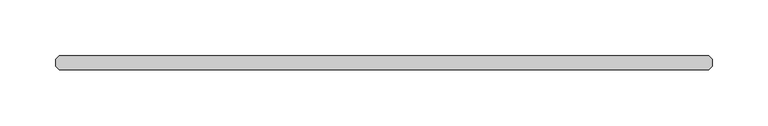
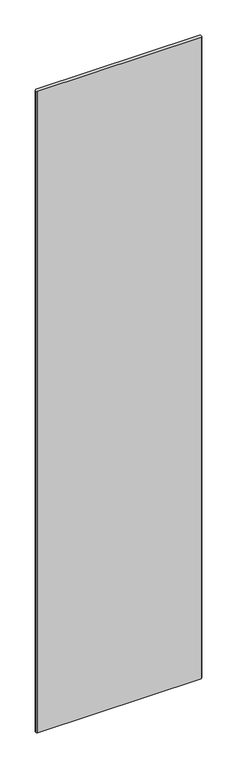
"""IFC4 building model written with IfcOpenShell, lengths in millimetres: plate geometry."""

from ifc_helpers import new_model, si_unit, origin, origin_with_axes, place, context, project, spatial, polyline, outline, extrude, source, transform, mapped, element, save


def plate_75934b20(model_context):
    return source(origin(), model_context, "Body", "SweptSolid", [
        extrude(outline(polyline([(292.496875, -36.5125), (-292.496875, -36.5125), (-295.671875, -33.3375), (-295.671875, -26.9875), (-292.496875, -23.8125), (292.496875, -23.8125), (295.671875, -26.9875), (295.671875, -33.3375), (292.496875, -36.5125)])), origin_with_axes(), (0.0, 0.0, 1.0), 2428.7789267),
    ])


if __name__ == "__main__":
    model = new_model("IFC4")
    model_context = context("Model", 3, world=origin())
    ifc_project = project(units=[si_unit("LENGTHUNIT", "METRE", prefix="MILLI")], contexts=[model_context])
    site = spatial("IfcSite", under=ifc_project)
    building = spatial("IfcBuilding", under=site)
    placement = place(None, origin())
    plate_shape = plate_75934b20(model_context)
    element("IfcPlate", 1, at=placement, inside=building, context=model_context, shape_type="MappedRepresentation", body=[
        mapped(plate_shape, transform((0.0, 0.0, 0.0), x_axis=(1.0, 0.0, 0.0), y_axis=(0.0, 1.0, 0.0), z_axis=(0.0, 0.0, 1.0))),
    ])
    save(model, "model.ifc")
